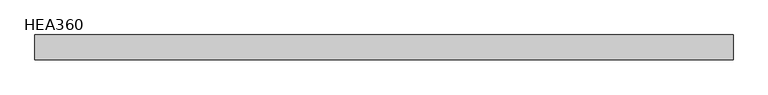
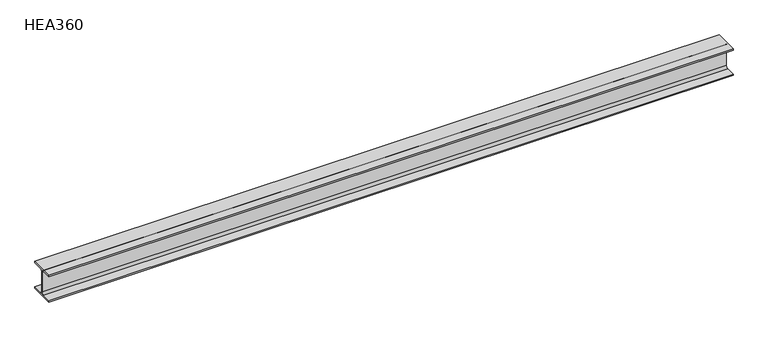
"""IFC4 building model written with IfcOpenShell, lengths in millimetres: beam geometry, HEA360."""

from ifc_helpers import new_model, si_unit, point, frame, frame_2d, origin, place, context, project, spatial, polyline, circle_curve, trimmed, segment, composite_curve, outline, extrude, source, transform, mapped, element, save


def hea360_8f2a9dd6(model_context):
    return source(origin(), model_context, "Body", "SweptSolid", [
        extrude(outline(composite_curve([segment(polyline([(150.0, -157.5), (150.0, -175.0), (-150.0, -175.0), (-150.0, -157.5), (-32.0, -157.5)]), True, "CONTINUOUS"), segment(trimmed(circle_curve(frame_2d((-32.0, -130.5)), 27.0), [point((-32.0, -157.5))], [point((-5.0, -130.5))], True, "CARTESIAN"), True, "CONTINUOUS"), segment(polyline([(-5.0, -130.5), (-5.0, 130.5)]), True, "CONTINUOUS"), segment(trimmed(circle_curve(frame_2d((-32.0, 130.5)), 27.0), [point((-5.0, 130.5))], [point((-32.0, 157.5))], True, "CARTESIAN"), True, "CONTINUOUS"), segment(polyline([(-32.0, 157.5), (-150.0, 157.5), (-150.0, 175.0), (150.0, 175.0), (150.0, 157.5), (32.0, 157.5)]), True, "CONTINUOUS"), segment(trimmed(circle_curve(frame_2d((32.0, 130.5)), 27.0), [point((32.0, 157.5))], [point((5.0, 130.5))], True, "CARTESIAN"), True, "CONTINUOUS"), segment(polyline([(5.0, 130.5), (5.0, -130.5)]), True, "CONTINUOUS"), segment(trimmed(circle_curve(frame_2d((32.0, -130.5)), 27.0), [point((5.0, -130.5))], [point((32.0, -157.5))], True, "CARTESIAN"), True, "CONTINUOUS"), segment(polyline([(32.0, -157.5), (150.0, -157.5)]), True, "CONTINUOUS")], self_intersect=False)), frame((-4242.2, 0.0, 0.0), z_axis=(1.0, 0.0, 0.0), x_axis=(0.0, 1.0, 0.0)), (0.0, 0.0, 1.0), 8484.5),
    ])


if __name__ == "__main__":
    model = new_model("IFC4")
    model_context = context("Model", 3, world=origin())
    ifc_project = project(units=[si_unit("LENGTHUNIT", "METRE", prefix="MILLI")], contexts=[model_context])
    site = spatial("IfcSite", under=ifc_project)
    building = spatial("IfcBuilding", under=site)
    placement = place(None, origin())
    hea360_shape = hea360_8f2a9dd6(model_context)
    element("IfcBeam", 1, ObjectType="HEA360", at=placement, inside=building, context=model_context, shape_type="MappedRepresentation", body=[
        mapped(hea360_shape, transform((0.0, 0.0, 0.0), x_axis=(1.0, 0.0, 0.0), y_axis=(0.0, 1.0, 0.0), z_axis=(0.0, 0.0, 1.0))),
    ])
    save(model, "model.ifc")
